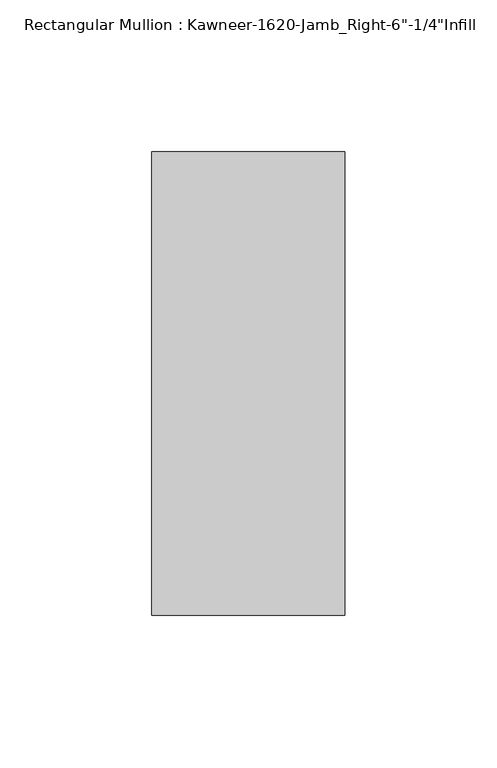
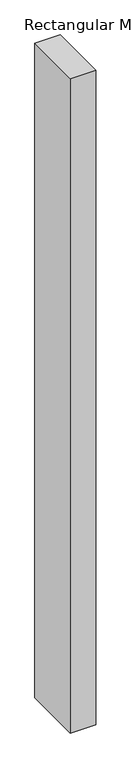
"""IFC4 building model written with IfcOpenShell, lengths in millimetres: member geometry."""

from ifc_helpers import new_model, si_unit, frame, origin, place, context, project, spatial, polyline, outline, extrude, source, transform, mapped, element, save


def member_1b749cc2(model_context):
    return source(origin(), model_context, "Body", "SweptSolid", [
        extrude(outline(polyline([(-63.5, 28.575), (0.0, 28.575), (0.0, -123.825), (-63.5, -123.825), (-63.5, 28.575)])), frame((0.0, 0.0, -1720.85), z_axis=(0.0, 0.0, 1.0), x_axis=(1.0, 0.0, 0.0)), (0.0, 0.0, 1.0), 1720.85),
    ])


if __name__ == "__main__":
    model = new_model("IFC4")
    model_context = context("Model", 3, world=origin())
    ifc_project = project(units=[si_unit("LENGTHUNIT", "METRE", prefix="MILLI")], contexts=[model_context])
    site = spatial("IfcSite", under=ifc_project)
    building = spatial("IfcBuilding", under=site)
    placement = place(None, origin())
    member_shape = member_1b749cc2(model_context)
    element("IfcMember", 1, ObjectType="Rectangular Mullion : Kawneer-1620-Jamb_Right-6\"-1/4\"Infill", at=placement, inside=building, context=model_context, shape_type="MappedRepresentation", body=[
        mapped(member_shape, transform((0.0, 0.0, 0.0), x_axis=(1.0, 0.0, 0.0), y_axis=(0.0, 1.0, 0.0), z_axis=(0.0, 0.0, 1.0))),
    ])
    save(model, "model.ifc")
